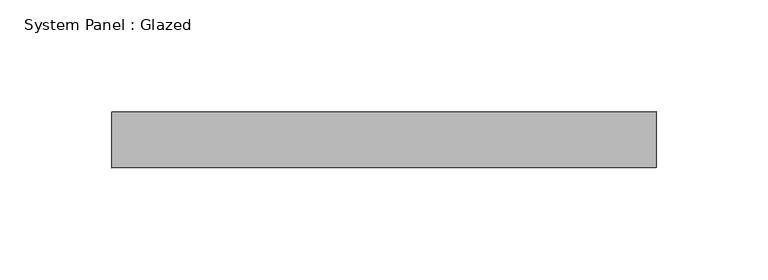
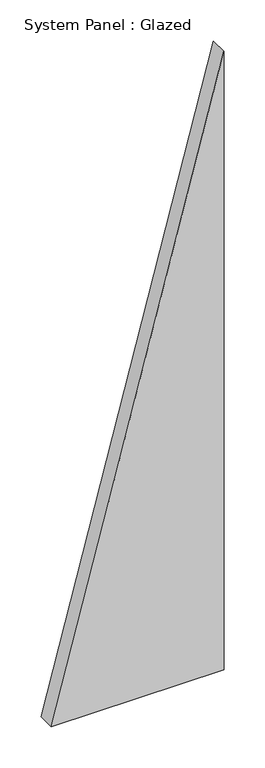
"""IFC4 building model written with IfcOpenShell, lengths in millimetres: plate geometry, System Panel : Glazed."""

from ifc_helpers import new_model, si_unit, frame, origin, place, context, project, spatial, polyline, outline, extrude, source, transform, mapped, element, save


def system_panel_glazed_53aa6136(model_context):
    return source(origin(), model_context, "Body", "SweptSolid", [
        extrude(outline(polyline([(0.0, -121.4285716), (0.0, 121.4285716), (918.9189201, 121.4285716), (0.0, -121.4285716)])), frame((0.0, 24.5, 0.0), z_axis=(0.0, 1.0, 0.0), x_axis=(0.0, 0.0, 1.0)), (0.0, 0.0, 1.0), 25.0),
    ])


if __name__ == "__main__":
    model = new_model("IFC4")
    model_context = context("Model", 3, world=origin())
    ifc_project = project(units=[si_unit("LENGTHUNIT", "METRE", prefix="MILLI")], contexts=[model_context])
    site = spatial("IfcSite", under=ifc_project)
    building = spatial("IfcBuilding", under=site)
    placement = place(None, origin())
    system_panel_glazed_shape = system_panel_glazed_53aa6136(model_context)
    element("IfcPlate", 1, ObjectType="System Panel : Glazed", at=placement, inside=building, context=model_context, shape_type="MappedRepresentation", body=[
        mapped(system_panel_glazed_shape, transform((0.0, 0.0, 0.0), x_axis=(1.0, 0.0, 0.0), y_axis=(0.0, 1.0, 0.0), z_axis=(0.0, 0.0, 1.0))),
    ])
    save(model, "model.ifc")
